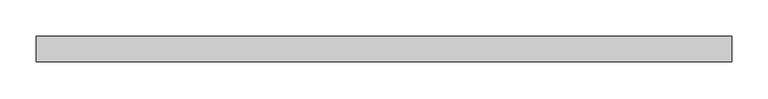
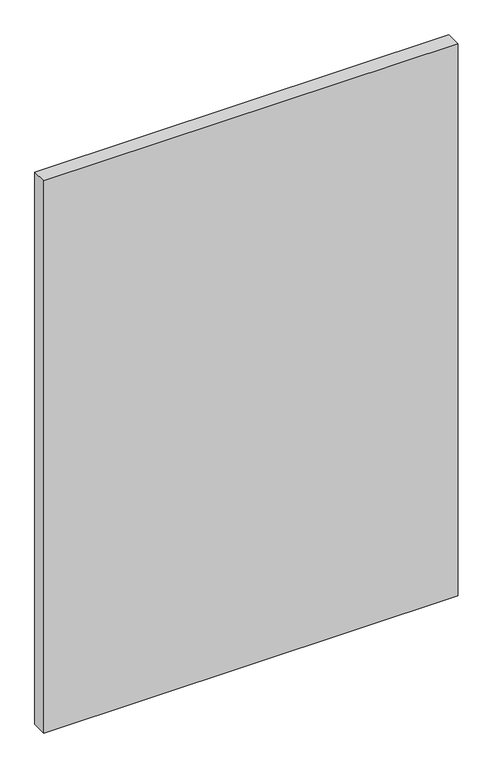
"""IFC4 building model written with IfcOpenShell, lengths in millimetres: plate geometry."""

from ifc_helpers import new_model, si_unit, origin, origin_with_axes, place, context, project, spatial, polyline, outline, extrude, source, transform, mapped, element, save


def plate_848e0785(model_context):
    return source(origin(), model_context, "Body", "SweptSolid", [
        extrude(outline(polyline([(477.1116071, -17.5), (-477.1116071, -17.5), (-477.1116071, 17.5), (477.1116071, 17.5), (477.1116071, -17.5)])), origin_with_axes(), (0.0, 0.0, 1.0), 1343.8125),
    ])


if __name__ == "__main__":
    model = new_model("IFC4")
    model_context = context("Model", 3, world=origin())
    ifc_project = project(units=[si_unit("LENGTHUNIT", "METRE", prefix="MILLI")], contexts=[model_context])
    site = spatial("IfcSite", under=ifc_project)
    building = spatial("IfcBuilding", under=site)
    placement = place(None, origin())
    plate_shape = plate_848e0785(model_context)
    element("IfcPlate", 1, at=placement, inside=building, context=model_context, shape_type="MappedRepresentation", body=[
        mapped(plate_shape, transform((0.0, 0.0, 0.0), x_axis=(1.0, 0.0, 0.0), y_axis=(0.0, 1.0, 0.0), z_axis=(0.0, 0.0, 1.0))),
    ])
    save(model, "model.ifc")
